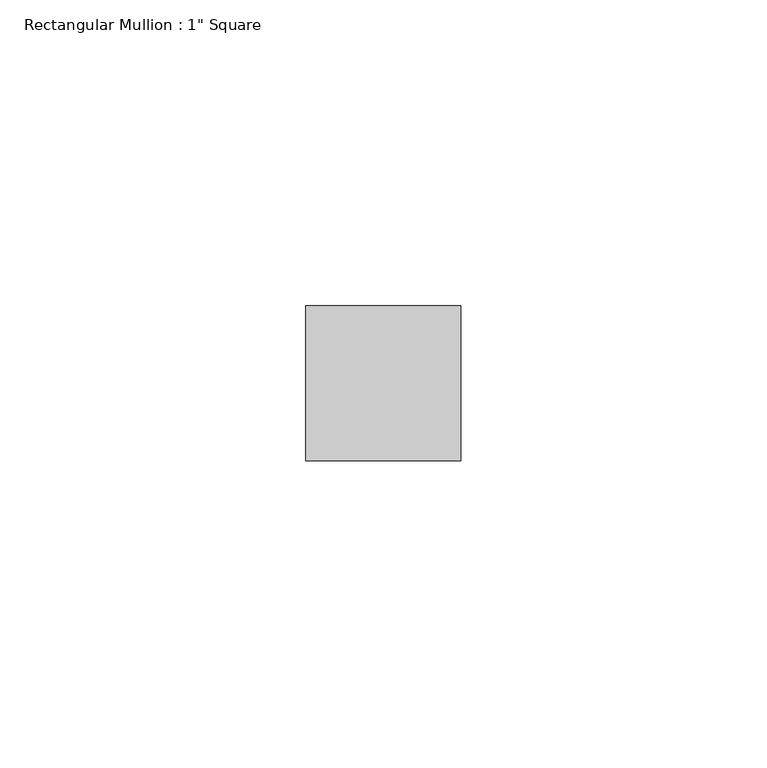
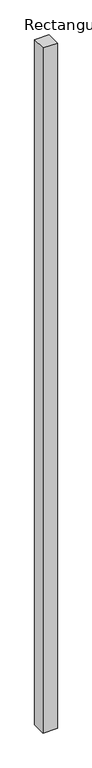
"""IFC4 building model written with IfcOpenShell, lengths in millimetres: member geometry."""

from ifc_helpers import new_model, si_unit, frame, origin, place, context, project, spatial, polyline, outline, extrude, source, transform, mapped, element, save


def member_9700680b(model_context):
    return source(origin(), model_context, "Body", "SweptSolid", [
        extrude(outline(polyline([(0.0, 12.7), (0.0, -12.7), (-25.4, -12.7), (-25.4, 12.7), (0.0, 12.7)])), frame((0.0, 0.0, -1282.7), z_axis=(0.0, 0.0, 1.0), x_axis=(1.0, 0.0, 0.0)), (0.0, 0.0, 1.0), 1282.7),
    ])


if __name__ == "__main__":
    model = new_model("IFC4")
    model_context = context("Model", 3, world=origin())
    ifc_project = project(units=[si_unit("LENGTHUNIT", "METRE", prefix="MILLI")], contexts=[model_context])
    site = spatial("IfcSite", under=ifc_project)
    building = spatial("IfcBuilding", under=site)
    placement = place(None, origin())
    member_shape = member_9700680b(model_context)
    element("IfcMember", 1, ObjectType="Rectangular Mullion : 1\" Square", at=placement, inside=building, context=model_context, shape_type="MappedRepresentation", body=[
        mapped(member_shape, transform((0.0, 0.0, 0.0), x_axis=(1.0, 0.0, 0.0), y_axis=(0.0, 1.0, 0.0), z_axis=(0.0, 0.0, 1.0))),
    ])
    save(model, "model.ifc")
